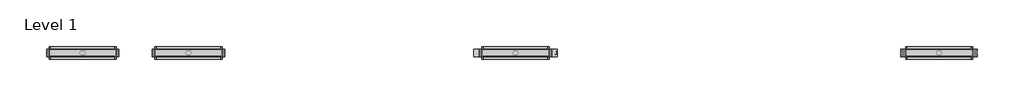
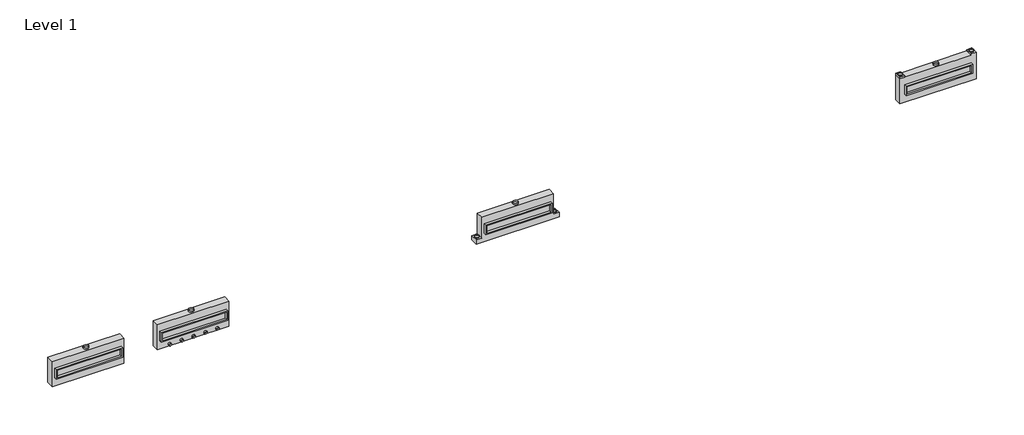
# One storey: 22 proxies.
"""IFC4 building model written with IfcOpenShell, lengths in millimetres."""

import ifcopenshell
import ifcopenshell.guid

model = None  # the IFC model being written
_history = None  # IfcOwnerHistory: only IFC2X3 demands one
_inside = {}  # id of a spatial element -> (the spatial element, [elements in it])
_under = {}  # id of a project, library or spatial element -> (it, [spatial elements below it])
_declared = {}  # id of a project -> (the project, [libraries it declares])
_typed = {}  # id of a type object -> (the type object, [elements of that type])
_made_of = {}  # id of a material, layer set ... -> (it, [elements and type objects made of it])


def new_model(schema):
    """Start an empty IFC model of exactly this schema.

    Asked for "IFC4X3", IfcOpenShell would pick the latest addendum, in which some entities
    have other attributes; the version numbers below select the first issue.
    IFC2X3 requires an IfcOwnerHistory on every rooted entity: one is made here for all.
    """
    global model, _history
    if schema == "IFC4X3":
        model = ifcopenshell.file(schema_version=(4, 3, 0, 0))
    else:
        model = ifcopenshell.file(schema=schema)
    _inside.clear()
    _under.clear()
    _declared.clear()
    _typed.clear()
    _made_of.clear()
    _history = None
    if model.schema == "IFC2X3":
        org = make("IfcOrganization", Name="unknown")
        user = make(
            "IfcPersonAndOrganization",
            ThePerson=make("IfcPerson", FamilyName="unknown"),
            TheOrganization=org,
        )
        app = make(
            "IfcApplication",
            ApplicationDeveloper=org,
            Version="unknown",
            ApplicationFullName="unknown",
            ApplicationIdentifier="unknown",
        )
        _history = make(
            "IfcOwnerHistory",
            OwningUser=user,
            OwningApplication=app,
            ChangeAction="ADDED",
            CreationDate=0,
        )
    return model


def make(cls, **values):
    """One entity of the class cls with the attributes given. An attribute that is None is left unset."""
    return model.create_entity(
        cls, **{name: value for name, value in values.items() if value is not None}
    )


def rooted(cls, **values):
    """An entity with a GlobalId (a new one), such as an element, a storey or a relation."""
    return make(cls, GlobalId=ifcopenshell.guid.new(), OwnerHistory=_history, **values)


def si_unit(unit_type, name, prefix=None):
    """IfcSIUnit, for example si_unit("LENGTHUNIT", "METRE", prefix="MILLI")."""
    return make("IfcSIUnit", UnitType=unit_type, Prefix=prefix, Name=name)


def assignment(units):
    """IfcUnitAssignment: the units of a project."""
    return None if units is None else make("IfcUnitAssignment", Units=units)


def point(xyz):
    """IfcCartesianPoint."""
    return None if xyz is None else make("IfcCartesianPoint", Coordinates=xyz)


def direction(xyz):
    """IfcDirection."""
    return None if xyz is None else make("IfcDirection", DirectionRatios=xyz)


def frame(location, z_axis=None, x_axis=None):
    """IfcAxis2Placement3D, a coordinate frame: its origin and axes. An axis left out is left unset."""
    return make(
        "IfcAxis2Placement3D",
        Location=point(location),
        Axis=direction(z_axis),
        RefDirection=direction(x_axis),
    )


def frame_2d(location, x_axis=None):
    """IfcAxis2Placement2D, a coordinate frame in the plane: its origin and x axis."""
    return make(
        "IfcAxis2Placement2D", Location=point(location), RefDirection=direction(x_axis)
    )


def origin():
    """The frame at (0, 0, 0) with its axes left unset."""
    return frame((0.0, 0.0, 0.0))


def origin_with_axes():
    """The frame at (0, 0, 0) with the z axis (0, 0, 1) and the x axis (1, 0, 0) written out."""
    return frame((0.0, 0.0, 0.0), z_axis=(0.0, 0.0, 1.0), x_axis=(1.0, 0.0, 0.0))


def origin_2d():
    """The frame at (0, 0) in the plane with its x axis left unset."""
    return frame_2d((0.0, 0.0))


def place(relative_to, where):
    """IfcLocalPlacement: puts the frame where relative to a parent placement (None: the world)."""
    return make(
        "IfcLocalPlacement", PlacementRelTo=relative_to, RelativePlacement=where
    )


def context(
    kind, dimensions, precision=None, world=None, true_north=None, identifier=None
):
    """IfcGeometricRepresentationContext, for example the 3D "Model" context."""
    return make(
        "IfcGeometricRepresentationContext",
        ContextIdentifier=identifier,
        ContextType=kind,
        CoordinateSpaceDimension=dimensions,
        Precision=precision,
        WorldCoordinateSystem=world,
        TrueNorth=true_north,
    )


def project(units=None, contexts=None):
    """IfcProject with its units and contexts."""
    return rooted(
        "IfcProject",
        Name="project",
        RepresentationContexts=contexts,
        UnitsInContext=assignment(units),
    )


def spatial(cls, under=None, at=None, **own):
    """A site, building, storey or space (cls), placed at a placement, below another one or the project."""
    s = rooted(cls, ObjectPlacement=at, **own)
    if under is not None:
        _under.setdefault(under.id(), (under, []))[1].append(s)
    return s


def polyline(points):
    """IfcPolyline through the points."""
    return make("IfcPolyline", Points=[point(p) for p in points])


def circle_curve(where, radius):
    """IfcCircle in the frame where."""
    return make("IfcCircle", Position=where, Radius=radius)


def trimmed(basis, trim1, trim2, sense, master):
    """IfcTrimmedCurve: the piece of a basis curve between two trims."""
    return make(
        "IfcTrimmedCurve",
        BasisCurve=basis,
        Trim1=trim1,
        Trim2=trim2,
        SenseAgreement=sense,
        MasterRepresentation=master,
    )


def segment(curve, same_sense, transition):
    """IfcCompositeCurveSegment."""
    return make(
        "IfcCompositeCurveSegment",
        Transition=transition,
        SameSense=same_sense,
        ParentCurve=curve,
    )


def composite_curve(segments, self_intersect=None):
    """IfcCompositeCurve: segments joined end to end."""
    return make("IfcCompositeCurve", Segments=segments, SelfIntersect=self_intersect)


def outline(outer, holes=None, kind="AREA"):
    """IfcArbitraryClosedProfileDef: a profile drawn as a closed curve; with holes, ...WithVoids."""
    if holes is None:
        return make("IfcArbitraryClosedProfileDef", ProfileType=kind, OuterCurve=outer)
    return make(
        "IfcArbitraryProfileDefWithVoids",
        ProfileType=kind,
        OuterCurve=outer,
        InnerCurves=holes,
    )


def extrude(swept, where, along, depth):
    """IfcExtrudedAreaSolid: the profile swept, set in the frame where, extruded along a direction by depth."""
    return make(
        "IfcExtrudedAreaSolid",
        SweptArea=swept,
        Position=where,
        ExtrudedDirection=direction(along),
        Depth=depth,
    )


def shape(context_of_items, identifier, shape_type, items):
    """IfcShapeRepresentation: the items that make up one representation, for example the "Body"."""
    return make(
        "IfcShapeRepresentation",
        ContextOfItems=context_of_items,
        RepresentationIdentifier=identifier,
        RepresentationType=shape_type,
        Items=items,
    )


def source(mapping_origin, context_of_items, identifier, shape_type, items):
    """IfcRepresentationMap: a shape defined once, which mapped items show again and again."""
    return make(
        "IfcRepresentationMap",
        MappingOrigin=mapping_origin,
        MappedRepresentation=shape(context_of_items, identifier, shape_type, items),
    )


def transform(
    local_origin,
    x_axis=None,
    y_axis=None,
    z_axis=None,
    scale=None,
    scale2=None,
    scale3=None,
    uniform=True,
):
    """IfcCartesianTransformationOperator3D, or its non-uniform kind. x_axis, y_axis, z_axis: its Axis1, 2, 3."""
    if uniform:
        return make(
            "IfcCartesianTransformationOperator3D",
            Axis1=direction(x_axis),
            Axis2=direction(y_axis),
            LocalOrigin=point(local_origin),
            Scale=scale,
            Axis3=direction(z_axis),
        )
    return make(
        "IfcCartesianTransformationOperator3DnonUniform",
        Axis1=direction(x_axis),
        Axis2=direction(y_axis),
        LocalOrigin=point(local_origin),
        Scale=scale,
        Axis3=direction(z_axis),
        Scale2=scale2,
        Scale3=scale3,
    )


def mapped(mapping_source, mapping_target):
    """IfcMappedItem: shows the shape of a source again, moved by a transform."""
    return make(
        "IfcMappedItem", MappingSource=mapping_source, MappingTarget=mapping_target
    )


def made_of(thing, what):
    """Note that an element or type object is made of a material, layer set ...; save() writes the relation."""
    if what is not None:
        _made_of.setdefault(what.id(), (what, []))[1].append(thing)
    return thing


def element(
    cls,
    number,
    at=None,
    inside=None,
    cuts=None,
    type_object=None,
    material=None,
    context=None,
    identifier="Body",
    shape_type=None,
    held_by="IfcProductDefinitionShape",
    body=None,
    shapes=None,
    **own,
):
    """One element of the class cls, such as IfcWall. Its Tag is "e" and its number.

    at: its placement. inside: the storey or other place that contains it. cuts: it is an
    opening in that element (IfcRelVoidsElement). A single representation is given by context,
    identifier, shape_type and body (its items); several are given by shapes. held_by: the class
    of the entity that holds the representations. save() writes the other relations.
    """
    e = rooted(cls, Tag="e%d" % number, ObjectPlacement=at, **own)
    if body is not None:
        shapes = [shape(context, identifier, shape_type, body)]
    if shapes is not None:
        e.Representation = make(held_by, Representations=shapes)
    if inside is not None:
        _inside.setdefault(inside.id(), (inside, []))[1].append(e)
    if cuts is not None:
        rooted(
            "IfcRelVoidsElement", RelatingBuildingElement=cuts, RelatedOpeningElement=e
        )
    if type_object is not None:
        _typed.setdefault(type_object.id(), (type_object, []))[1].append(e)
    return made_of(e, material)


def aggregate(whole, parts):
    """IfcRelAggregates: a whole, such as a stair, and the parts it consists of."""
    return rooted("IfcRelAggregates", RelatingObject=whole, RelatedObjects=parts)


def save(model, path):
    """Write the relations noted so far, then the file.

    IfcRelAggregates (storeys below a building ...), IfcRelContainedInSpatialStructure (elements
    in a storey), IfcRelDefinesByType, IfcRelAssociatesMaterial and IfcRelDeclares: one each for
    every whole, place, type object, material and project.
    """
    for whole, parts in _under.values():
        aggregate(whole, parts)
    for where, things in _inside.values():
        rooted(
            "IfcRelContainedInSpatialStructure",
            RelatedElements=things,
            RelatingStructure=where,
        )
    for kind, things in _typed.values():
        rooted("IfcRelDefinesByType", RelatedObjects=things, RelatingType=kind)
    for what, things in _made_of.values():
        rooted("IfcRelAssociatesMaterial", RelatedObjects=things, RelatingMaterial=what)
    for by, libraries in _declared.values():
        rooted("IfcRelDeclares", RelatingContext=by, RelatedDefinitions=libraries)
    model.write(path)


def as_specified_ff6060c0(model_context):
    return source(origin(), model_context, "Body", "SweptSolid", [
        extrude(outline(polyline([(2222.5, 361.95), (2222.5, -298.45), (-2222.5, -298.45), (-2222.5, 361.95), (2222.5, 361.95)]), holes=[polyline([(2133.6, 285.75), (-2133.6, 285.75), (-2133.6, -222.25), (2133.6, -222.25), (2133.6, 285.75)])]), frame((0.0, 0.0, -688.975), z_axis=(0.0, 0.0, 1.0), x_axis=(1.0, 0.0, 0.0)), (0.0, 0.0, 1.0), 165.1),
        extrude(outline(polyline([(2222.5, 361.95), (2222.5, -298.45), (-2222.5, -298.45), (-2222.5, 361.95), (2222.5, 361.95)]), holes=[polyline([(2133.6, 285.75), (-2133.6, 285.75), (-2133.6, -222.25), (2133.6, -222.25), (2133.6, 285.75)])]), frame((0.0, 0.0, -25.4), z_axis=(0.0, 0.0, 1.0), x_axis=(1.0, 0.0, 0.0)), (0.0, 0.0, 1.0), 165.1),
        extrude(outline(polyline([(2133.6, 285.75), (2133.6, -222.25), (-2133.6, -222.25), (-2133.6, 285.75), (2133.6, 285.75)])), frame((0.0, 0.0, -523.875), z_axis=(0.0, 0.0, 1.0), x_axis=(1.0, 0.0, 0.0)), (0.0, 0.0, 1.0), 4.9609375),
        extrude(outline(polyline([(2133.6, 285.75), (2133.6, -222.25), (-2133.6, -222.25), (-2133.6, 285.75), (2133.6, 285.75)])), frame((0.0, 0.0, -30.3609375), z_axis=(0.0, 0.0, 1.0), x_axis=(1.0, 0.0, 0.0)), (0.0, 0.0, 1.0), 4.9609375),
        extrude(outline(polyline([(2387.6, -882.65), (-2387.6, -882.65), (-2387.6, 882.65), (2387.6, 882.65), (2387.6, -882.65)]), holes=[polyline([(-2222.5, 361.95), (-2222.5, -298.45), (2222.5, -298.45), (2222.5, 361.95), (-2222.5, 361.95)])]), frame((0.0, 0.0, -523.875), z_axis=(0.0, 0.0, 1.0), x_axis=(1.0, 0.0, 0.0)), (0.0, 0.0, 1.0), 498.475),
    ])


def as_specified_cfeea1f1(model_context):
    return source(origin(), model_context, "Body", "SweptSolid", [
        extrude(outline(polyline([(2222.5, 361.95), (2222.5, -298.45), (-2222.5, -298.45), (-2222.5, 361.95), (2222.5, 361.95)]), holes=[polyline([(2133.6, 285.75), (-2133.6, 285.75), (-2133.6, -222.25), (2133.6, -222.25), (2133.6, 285.75)])]), frame((0.0, 0.0, -688.975), z_axis=(0.0, 0.0, 1.0), x_axis=(1.0, 0.0, 0.0)), (0.0, 0.0, 1.0), 165.1),
        extrude(outline(polyline([(2222.5, 361.95), (2222.5, -298.45), (-2222.5, -298.45), (-2222.5, 361.95), (2222.5, 361.95)]), holes=[polyline([(2133.6, 285.75), (-2133.6, 285.75), (-2133.6, -222.25), (2133.6, -222.25), (2133.6, 285.75)])]), frame((0.0, 0.0, -25.4), z_axis=(0.0, 0.0, 1.0), x_axis=(1.0, 0.0, 0.0)), (0.0, 0.0, 1.0), 165.1),
        extrude(outline(polyline([(2133.6, 285.75), (2133.6, -222.25), (-2133.6, -222.25), (-2133.6, 285.75), (2133.6, 285.75)])), frame((0.0, 0.0, -523.875), z_axis=(0.0, 0.0, 1.0), x_axis=(1.0, 0.0, 0.0)), (0.0, 0.0, 1.0), 4.9609375),
        extrude(outline(polyline([(2133.6, 285.75), (2133.6, -222.25), (-2133.6, -222.25), (-2133.6, 285.75), (2133.6, 285.75)])), frame((0.0, 0.0, -30.3609375), z_axis=(0.0, 0.0, 1.0), x_axis=(1.0, 0.0, 0.0)), (0.0, 0.0, 1.0), 4.9609375),
        extrude(outline(polyline([(-2387.6, 882.65), (2387.6, 882.65), (2387.6, -577.85), (2768.6, -577.85), (2768.6, -882.65), (-2768.6, -882.65), (-2768.6, -577.85), (-2387.6, -577.85), (-2387.6, 882.65)]), holes=[polyline([(-2222.5, 361.95), (-2222.5, -298.45), (2222.5, -298.45), (2222.5, 361.95), (-2222.5, 361.95)])]), frame((0.0, 0.0, -523.875), z_axis=(0.0, 0.0, 1.0), x_axis=(1.0, 0.0, 0.0)), (0.0, 0.0, 1.0), 498.475),
    ])


def as_specified_8478eab1(model_context):
    return source(origin(), model_context, "Body", "SweptSolid", [
        extrude(outline(polyline([(2222.5, 361.95), (2222.5, -298.45), (-2222.5, -298.45), (-2222.5, 361.95), (2222.5, 361.95)]), holes=[polyline([(2133.6, 285.75), (-2133.6, 285.75), (-2133.6, -222.25), (2133.6, -222.25), (2133.6, 285.75)])]), frame((0.0, 0.0, -688.975), z_axis=(0.0, 0.0, 1.0), x_axis=(1.0, 0.0, 0.0)), (0.0, 0.0, 1.0), 165.1),
        extrude(outline(polyline([(2222.5, 361.95), (2222.5, -298.45), (-2222.5, -298.45), (-2222.5, 361.95), (2222.5, 361.95)]), holes=[polyline([(2133.6, 285.75), (-2133.6, 285.75), (-2133.6, -222.25), (2133.6, -222.25), (2133.6, 285.75)])]), frame((0.0, 0.0, -25.4), z_axis=(0.0, 0.0, 1.0), x_axis=(1.0, 0.0, 0.0)), (0.0, 0.0, 1.0), 165.1),
        extrude(outline(polyline([(-2222.5, 882.65), (-2540.0, 882.65), (-2540.0, 984.25), (-2222.5, 984.25), (-2222.5, 882.65)])), frame((0.0, 0.0, -523.875), z_axis=(0.0, 0.0, 1.0), x_axis=(1.0, 0.0, 0.0)), (0.0, 0.0, 1.0), 498.475),
        extrude(outline(polyline([(2133.6, 285.75), (2133.6, -222.25), (-2133.6, -222.25), (-2133.6, 285.75), (2133.6, 285.75)])), frame((0.0, 0.0, -523.875), z_axis=(0.0, 0.0, 1.0), x_axis=(1.0, 0.0, 0.0)), (0.0, 0.0, 1.0), 4.9609375),
        extrude(outline(polyline([(2133.6, 285.75), (2133.6, -222.25), (-2133.6, -222.25), (-2133.6, 285.75), (2133.6, 285.75)])), frame((0.0, 0.0, -30.3609375), z_axis=(0.0, 0.0, 1.0), x_axis=(1.0, 0.0, 0.0)), (0.0, 0.0, 1.0), 4.9609375),
        extrude(outline(polyline([(2540.0, -882.65), (-2540.0, -882.65), (-2540.0, 882.65), (2222.5, 882.65), (2222.5, 984.25), (2540.0, 984.25), (2540.0, -882.65)]), holes=[polyline([(-2222.5, 361.95), (-2222.5, -298.45), (2222.5, -298.45), (2222.5, 361.95), (-2222.5, 361.95)])]), frame((0.0, 0.0, -523.875), z_axis=(0.0, 0.0, 1.0), x_axis=(1.0, 0.0, 0.0)), (0.0, 0.0, 1.0), 498.475),
    ])


def proxy_f96b1d40(model_context):
    return source(origin(), model_context, "Body", "SweptSolid", [
        extrude(outline(composite_curve([segment(trimmed(circle_curve(origin_2d(), 150.8125), [point((-150.8125, 0.0))], [point((150.8125, 0.0))], False, "CARTESIAN"), True, "CONTINUOUS"), segment(trimmed(circle_curve(origin_2d(), 150.8125), [point((150.8125, 0.0))], [point((-150.8125, 0.0))], False, "CARTESIAN"), True, "CONTINUOUS")], self_intersect=False), holes=[composite_curve([segment(trimmed(circle_curve(origin_2d(), 149.225), [point((-149.225, 0.0))], [point((149.225, 0.0))], True, "CARTESIAN"), True, "CONTINUOUS"), segment(trimmed(circle_curve(origin_2d(), 149.225), [point((149.225, 0.0))], [point((-149.225, 0.0))], True, "CARTESIAN"), True, "CONTINUOUS")], self_intersect=False)]), origin_with_axes(), (0.0, 0.0, 1.0), 50.8),
    ])


def proxy_99ad690b(model_context):
    return source(origin(), model_context, "Body", "SweptSolid", [
        extrude(outline(composite_curve([segment(trimmed(circle_curve(origin_2d(), 174.625), [point((-174.625, 0.0))], [point((174.625, 0.0))], False, "CARTESIAN"), True, "CONTINUOUS"), segment(trimmed(circle_curve(origin_2d(), 174.625), [point((174.625, 0.0))], [point((-174.625, 0.0))], False, "CARTESIAN"), True, "CONTINUOUS")], self_intersect=False), holes=[composite_curve([segment(trimmed(circle_curve(origin_2d(), 173.0375), [point((-173.0375, 0.0))], [point((173.0375, 0.0))], True, "CARTESIAN"), True, "CONTINUOUS"), segment(trimmed(circle_curve(origin_2d(), 173.0375), [point((173.0375, 0.0))], [point((-173.0375, 0.0))], True, "CARTESIAN"), True, "CONTINUOUS")], self_intersect=False)]), origin_with_axes(), (0.0, 0.0, 1.0), 101.6),
    ])


def proxy_5643af6b(model_context):
    return source(origin(), model_context, "Body", "SweptSolid", [
        extrude(outline(composite_curve([segment(trimmed(circle_curve(origin_2d(), 100.0125), [point((-100.0125, 0.0))], [point((100.0125, 0.0))], False, "CARTESIAN"), True, "CONTINUOUS"), segment(trimmed(circle_curve(origin_2d(), 100.0125), [point((100.0125, 0.0))], [point((-100.0125, 0.0))], False, "CARTESIAN"), True, "CONTINUOUS")], self_intersect=False), holes=[composite_curve([segment(trimmed(circle_curve(origin_2d(), 98.425), [point((-98.425, 0.0))], [point((98.425, 0.0))], True, "CARTESIAN"), True, "CONTINUOUS"), segment(trimmed(circle_curve(origin_2d(), 98.425), [point((98.425, 0.0))], [point((-98.425, 0.0))], True, "CARTESIAN"), True, "CONTINUOUS")], self_intersect=False)]), origin_with_axes(), (0.0, 0.0, 1.0), 101.6),
    ])


def proxy_c1ba4f62(model_context):
    return source(origin(), model_context, "Body", "SweptSolid", [
        extrude(outline(composite_curve([segment(trimmed(circle_curve(origin_2d(), 103.1875), [point((-103.1875, 0.0))], [point((103.1875, 0.0))], False, "CARTESIAN"), True, "CONTINUOUS"), segment(trimmed(circle_curve(origin_2d(), 103.1875), [point((103.1875, 0.0))], [point((-103.1875, 0.0))], False, "CARTESIAN"), True, "CONTINUOUS")], self_intersect=False), holes=[composite_curve([segment(trimmed(circle_curve(origin_2d(), 101.6), [point((-101.6, 0.0))], [point((101.6, 0.0))], True, "CARTESIAN"), True, "CONTINUOUS"), segment(trimmed(circle_curve(origin_2d(), 101.6), [point((101.6, 0.0))], [point((-101.6, 0.0))], True, "CARTESIAN"), True, "CONTINUOUS")], self_intersect=False)]), origin_with_axes(), (0.0, 0.0, 1.0), 6.35),
    ])


model = new_model("IFC4")

# Units and contexts
model_context = context("Model", 3, world=origin())
ifc_project = project(units=[si_unit("LENGTHUNIT", "METRE", prefix="MILLI")], contexts=[model_context])

# Site, building, storey
site = spatial("IfcSite", under=ifc_project)
building = spatial("IfcBuilding", under=site)
storey = spatial("IfcBuildingStorey", under=building, Name="Level 1", Elevation=0.0)

# Proxies
placement = place(None, origin())
as_specified_shape = as_specified_ff6060c0(model_context)
element("IfcBuildingElementProxy", 1, Name="As Specified", ObjectType="As Specified", at=placement, inside=storey, context=model_context, shape_type="MappedRepresentation", body=[
    mapped(as_specified_shape, transform((-13859.9425598, 1616.7712992, 1066.8), x_axis=(1.0, 0.0, 0.0), y_axis=(0.0, 0.0, 1.0), z_axis=(0.0, -1.0, 0.0))),
])
as_specified_2_shape = as_specified_cfeea1f1(model_context)
element("IfcBuildingElementProxy", 2, Name="As Specified", ObjectType="As Specified", at=placement, inside=storey, context=model_context, shape_type="MappedRepresentation", body=[
    mapped(as_specified_2_shape, transform((14791.2574402, 1616.7712992, 1219.2), x_axis=(1.0, 0.0, 0.0), y_axis=(0.0, 0.0, 1.0), z_axis=(0.0, -1.0, 0.0))),
])
as_specified_3_shape = as_specified_8478eab1(model_context)
element("IfcBuildingElementProxy", 3, Name="As Specified", ObjectType="As Specified", at=placement, inside=storey, context=model_context, shape_type="MappedRepresentation", body=[
    mapped(as_specified_3_shape, transform((42832.8574402, 1616.7712992, 1219.2), x_axis=(1.0, 0.0, 0.0), y_axis=(0.0, 0.0, 1.0), z_axis=(0.0, -1.0, 0.0))),
])
element("IfcBuildingElementProxy", 4, Name="As Specified", ObjectType="As Specified", at=placement, inside=storey, context=model_context, shape_type="MappedRepresentation", body=[
    mapped(as_specified_shape, transform((-6849.5425598, 1616.7712992, 1219.2), x_axis=(1.0, 0.0, 0.0), y_axis=(0.0, 0.0, 1.0), z_axis=(0.0, -1.0, 0.0))),
])
proxy_shape = proxy_f96b1d40(model_context)
element("IfcBuildingElementProxy", 5, Name="Duct Dia : 11 7/8\" Dia.", ObjectType="Duct Dia : 11 7/8\" Dia.", at=placement, inside=storey, context=model_context, shape_type="MappedRepresentation", body=[
    mapped(proxy_shape, transform((12213.1574402, 1891.4087992, 641.35), x_axis=(1.0, 0.0, 0.0), y_axis=(0.0, 1.0, 0.0), z_axis=(0.0, 0.0, 1.0))),
])
element("IfcBuildingElementProxy", 6, Name="Duct Dia : 11 7/8\" Dia.", ObjectType="Duct Dia : 11 7/8\" Dia.", at=placement, inside=storey, context=model_context, shape_type="MappedRepresentation", body=[
    mapped(proxy_shape, transform((40451.6074402, 1891.4087992, 2203.45), x_axis=(1.0, 0.0, 0.0), y_axis=(0.0, 1.0, 0.0), z_axis=(0.0, 0.0, 1.0))),
])
element("IfcBuildingElementProxy", 7, Name="Duct Dia : 11 7/8\" Dia.", ObjectType="Duct Dia : 11 7/8\" Dia.", at=placement, inside=storey, context=model_context, shape_type="MappedRepresentation", body=[
    mapped(proxy_shape, transform((17369.3574402, 1891.4087992, 641.35), x_axis=(-1.0, 0.0, 0.0), y_axis=(0.0, -1.0, 0.0), z_axis=(0.0, 0.0, 1.0))),
])
element("IfcBuildingElementProxy", 8, Name="Duct Dia : 11 7/8\" Dia.", ObjectType="Duct Dia : 11 7/8\" Dia.", at=placement, inside=storey, context=model_context, shape_type="MappedRepresentation", body=[
    mapped(proxy_shape, transform((45214.1074402, 1891.4087992, 2203.45), x_axis=(-1.0, 0.0, 0.0), y_axis=(0.0, -1.0, 0.0), z_axis=(0.0, 0.0, 1.0))),
])
proxy_2_shape = proxy_99ad690b(model_context)
element("IfcBuildingElementProxy", 9, Name="Duct Dia : 13 3/4\" Dia", ObjectType="Duct Dia : 13 3/4\" Dia", at=placement, inside=storey, context=model_context, shape_type="MappedRepresentation", body=[
    mapped(proxy_2_shape, transform((-13859.9425598, 1891.4087992, 1949.45), x_axis=(1.0, 0.0, 0.0), y_axis=(0.0, 1.0, 0.0), z_axis=(0.0, 0.0, 1.0))),
])
element("IfcBuildingElementProxy", 10, Name="Duct Dia : 13 3/4\" Dia", ObjectType="Duct Dia : 13 3/4\" Dia", at=placement, inside=storey, context=model_context, shape_type="MappedRepresentation", body=[
    mapped(proxy_2_shape, transform((-6849.5425598, 1891.4087992, 2101.85), x_axis=(1.0, 0.0, 0.0), y_axis=(0.0, 1.0, 0.0), z_axis=(0.0, 0.0, 1.0))),
])
element("IfcBuildingElementProxy", 11, Name="Duct Dia : 13 3/4\" Dia", ObjectType="Duct Dia : 13 3/4\" Dia", at=placement, inside=storey, context=model_context, shape_type="MappedRepresentation", body=[
    mapped(proxy_2_shape, transform((42832.8574402, 1891.4087992, 2101.85), x_axis=(1.0, 0.0, 0.0), y_axis=(0.0, 1.0, 0.0), z_axis=(0.0, 0.0, 1.0))),
])
element("IfcBuildingElementProxy", 12, Name="Duct Dia : 13 3/4\" Dia.", ObjectType="Duct Dia : 13 3/4\" Dia.", at=placement, inside=storey, context=model_context, shape_type="MappedRepresentation", body=[
    mapped(proxy_2_shape, transform((14791.2574402, 1891.4087992, 2101.85), x_axis=(1.0, 0.0, 0.0), y_axis=(0.0, 1.0, 0.0), z_axis=(0.0, 0.0, 1.0))),
])
proxy_3_shape = proxy_5643af6b(model_context)
element("IfcBuildingElementProxy", 13, Name="Duct Dia : 7 7/8\" Dia", ObjectType="Duct Dia : 7 7/8\" Dia", at=placement, inside=storey, context=model_context, shape_type="MappedRepresentation", body=[
    mapped(proxy_3_shape, transform((-7645.4092265, 1642.1712992, 488.95), x_axis=(-1.0, 0.0, 0.0), y_axis=(0.0, 0.0, -1.0), z_axis=(0.0, -1.0, 0.0))),
])
element("IfcBuildingElementProxy", 14, Name="Duct Dia : 7 7/8\" Dia", ObjectType="Duct Dia : 7 7/8\" Dia", at=placement, inside=storey, context=model_context, shape_type="MappedRepresentation", body=[
    mapped(proxy_3_shape, transform((-6053.6758932, 1642.1712992, 488.95), x_axis=(-1.0, 0.0, 0.0), y_axis=(0.0, 0.0, -1.0), z_axis=(0.0, -1.0, 0.0))),
])
element("IfcBuildingElementProxy", 15, Name="Duct Dia : 7 7/8\" Dia", ObjectType="Duct Dia : 7 7/8\" Dia", at=placement, inside=storey, context=model_context, shape_type="MappedRepresentation", body=[
    mapped(proxy_3_shape, transform((-6849.5425598, 1642.1712992, 488.95), x_axis=(-1.0, 0.0, 0.0), y_axis=(0.0, 0.0, -1.0), z_axis=(0.0, -1.0, 0.0))),
])
element("IfcBuildingElementProxy", 16, Name="Duct Dia : 7 7/8\" Dia", ObjectType="Duct Dia : 7 7/8\" Dia", at=placement, inside=storey, context=model_context, shape_type="MappedRepresentation", body=[
    mapped(proxy_3_shape, transform((-8441.2758932, 1642.1712992, 488.95), x_axis=(-1.0, 0.0, 0.0), y_axis=(0.0, 0.0, -1.0), z_axis=(0.0, -1.0, 0.0))),
])
element("IfcBuildingElementProxy", 17, Name="Duct Dia : 7 7/8\" Dia", ObjectType="Duct Dia : 7 7/8\" Dia", at=placement, inside=storey, context=model_context, shape_type="MappedRepresentation", body=[
    mapped(proxy_3_shape, transform((-5257.8092265, 1642.1712992, 488.95), x_axis=(-1.0, 0.0, 0.0), y_axis=(0.0, 0.0, -1.0), z_axis=(0.0, -1.0, 0.0))),
])
proxy_4_shape = proxy_c1ba4f62(model_context)
element("IfcBuildingElementProxy", 18, Name="Duct Dia : 8 1/8\" Dia", ObjectType="Duct Dia : 8 1/8\" Dia", at=placement, inside=storey, context=model_context, shape_type="MappedRepresentation", body=[
    mapped(proxy_4_shape, transform((-14655.8092265, 1907.0853617, 184.15), x_axis=(1.0, 0.0, 0.0), y_axis=(0.0, -1.0, 0.0), z_axis=(0.0, 0.0, -1.0))),
])
element("IfcBuildingElementProxy", 19, Name="Duct Dia : 8 1/8\" Dia", ObjectType="Duct Dia : 8 1/8\" Dia", at=placement, inside=storey, context=model_context, shape_type="MappedRepresentation", body=[
    mapped(proxy_4_shape, transform((-13064.0758932, 1907.0853617, 184.15), x_axis=(1.0, 0.0, 0.0), y_axis=(0.0, -1.0, 0.0), z_axis=(0.0, 0.0, -1.0))),
])
element("IfcBuildingElementProxy", 20, Name="Duct Dia : 8 1/8\" Dia", ObjectType="Duct Dia : 8 1/8\" Dia", at=placement, inside=storey, context=model_context, shape_type="MappedRepresentation", body=[
    mapped(proxy_4_shape, transform((-13859.9425598, 1907.0853617, 184.15), x_axis=(1.0, 0.0, 0.0), y_axis=(0.0, -1.0, 0.0), z_axis=(0.0, 0.0, -1.0))),
])
element("IfcBuildingElementProxy", 21, Name="Duct Dia : 8 1/8\" Dia", ObjectType="Duct Dia : 8 1/8\" Dia", at=placement, inside=storey, context=model_context, shape_type="MappedRepresentation", body=[
    mapped(proxy_4_shape, transform((-15451.6758932, 1907.0853617, 184.15), x_axis=(1.0, 0.0, 0.0), y_axis=(0.0, -1.0, 0.0), z_axis=(0.0, 0.0, -1.0))),
])
element("IfcBuildingElementProxy", 22, Name="Duct Dia : 8 1/8\" Dia", ObjectType="Duct Dia : 8 1/8\" Dia", at=placement, inside=storey, context=model_context, shape_type="MappedRepresentation", body=[
    mapped(proxy_4_shape, transform((-12268.2092265, 1907.0853617, 184.15), x_axis=(1.0, 0.0, 0.0), y_axis=(0.0, -1.0, 0.0), z_axis=(0.0, 0.0, -1.0))),
])

save(model, "model.ifc")
